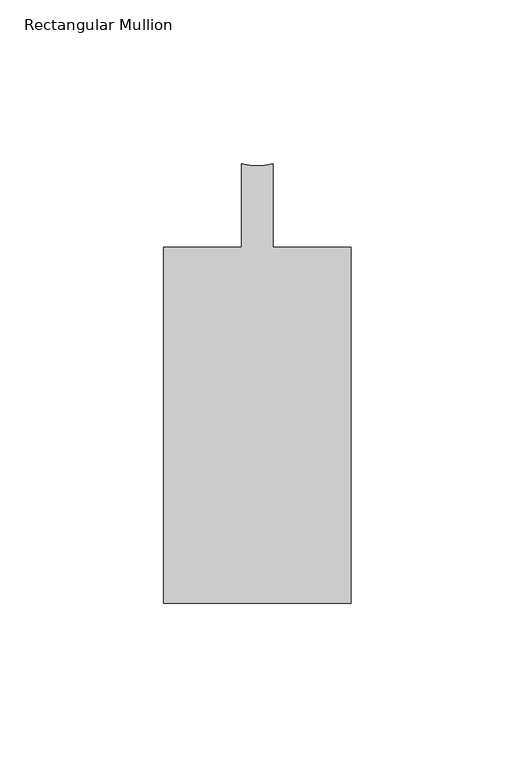
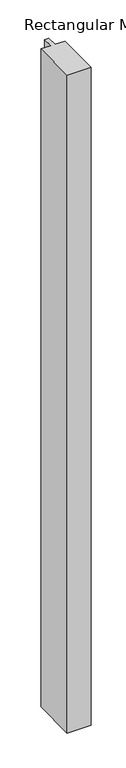
"""IFC4 building model written with IfcOpenShell, lengths in millimetres: member geometry, Rectangular Mullion."""

import ifcopenshell
import ifcopenshell.guid

model = None  # the IFC model being written
_history = None  # IfcOwnerHistory: only IFC2X3 demands one
_inside = {}  # id of a spatial element -> (the spatial element, [elements in it])
_under = {}  # id of a project, library or spatial element -> (it, [spatial elements below it])
_declared = {}  # id of a project -> (the project, [libraries it declares])
_typed = {}  # id of a type object -> (the type object, [elements of that type])
_made_of = {}  # id of a material, layer set ... -> (it, [elements and type objects made of it])


def new_model(schema):
    """Start an empty IFC model of exactly this schema.

    Asked for "IFC4X3", IfcOpenShell would pick the latest addendum, in which some entities
    have other attributes; the version numbers below select the first issue.
    IFC2X3 requires an IfcOwnerHistory on every rooted entity: one is made here for all.
    """
    global model, _history
    if schema == "IFC4X3":
        model = ifcopenshell.file(schema_version=(4, 3, 0, 0))
    else:
        model = ifcopenshell.file(schema=schema)
    _inside.clear()
    _under.clear()
    _declared.clear()
    _typed.clear()
    _made_of.clear()
    _history = None
    if model.schema == "IFC2X3":
        org = make("IfcOrganization", Name="unknown")
        user = make(
            "IfcPersonAndOrganization",
            ThePerson=make("IfcPerson", FamilyName="unknown"),
            TheOrganization=org,
        )
        app = make(
            "IfcApplication",
            ApplicationDeveloper=org,
            Version="unknown",
            ApplicationFullName="unknown",
            ApplicationIdentifier="unknown",
        )
        _history = make(
            "IfcOwnerHistory",
            OwningUser=user,
            OwningApplication=app,
            ChangeAction="ADDED",
            CreationDate=0,
        )
    return model


def make(cls, **values):
    """One entity of the class cls with the attributes given. An attribute that is None is left unset."""
    return model.create_entity(
        cls, **{name: value for name, value in values.items() if value is not None}
    )


def rooted(cls, **values):
    """An entity with a GlobalId (a new one), such as an element, a storey or a relation."""
    return make(cls, GlobalId=ifcopenshell.guid.new(), OwnerHistory=_history, **values)


def si_unit(unit_type, name, prefix=None):
    """IfcSIUnit, for example si_unit("LENGTHUNIT", "METRE", prefix="MILLI")."""
    return make("IfcSIUnit", UnitType=unit_type, Prefix=prefix, Name=name)


def assignment(units):
    """IfcUnitAssignment: the units of a project."""
    return None if units is None else make("IfcUnitAssignment", Units=units)


def point(xyz):
    """IfcCartesianPoint."""
    return None if xyz is None else make("IfcCartesianPoint", Coordinates=xyz)


def direction(xyz):
    """IfcDirection."""
    return None if xyz is None else make("IfcDirection", DirectionRatios=xyz)


def frame(location, z_axis=None, x_axis=None):
    """IfcAxis2Placement3D, a coordinate frame: its origin and axes. An axis left out is left unset."""
    return make(
        "IfcAxis2Placement3D",
        Location=point(location),
        Axis=direction(z_axis),
        RefDirection=direction(x_axis),
    )


def frame_2d(location, x_axis=None):
    """IfcAxis2Placement2D, a coordinate frame in the plane: its origin and x axis."""
    return make(
        "IfcAxis2Placement2D", Location=point(location), RefDirection=direction(x_axis)
    )


def origin():
    """The frame at (0, 0, 0) with its axes left unset."""
    return frame((0.0, 0.0, 0.0))


def place(relative_to, where):
    """IfcLocalPlacement: puts the frame where relative to a parent placement (None: the world)."""
    return make(
        "IfcLocalPlacement", PlacementRelTo=relative_to, RelativePlacement=where
    )


def context(
    kind, dimensions, precision=None, world=None, true_north=None, identifier=None
):
    """IfcGeometricRepresentationContext, for example the 3D "Model" context."""
    return make(
        "IfcGeometricRepresentationContext",
        ContextIdentifier=identifier,
        ContextType=kind,
        CoordinateSpaceDimension=dimensions,
        Precision=precision,
        WorldCoordinateSystem=world,
        TrueNorth=true_north,
    )


def project(units=None, contexts=None):
    """IfcProject with its units and contexts."""
    return rooted(
        "IfcProject",
        Name="project",
        RepresentationContexts=contexts,
        UnitsInContext=assignment(units),
    )


def spatial(cls, under=None, at=None, **own):
    """A site, building, storey or space (cls), placed at a placement, below another one or the project."""
    s = rooted(cls, ObjectPlacement=at, **own)
    if under is not None:
        _under.setdefault(under.id(), (under, []))[1].append(s)
    return s


def polyline(points):
    """IfcPolyline through the points."""
    return make("IfcPolyline", Points=[point(p) for p in points])


def circle_curve(where, radius):
    """IfcCircle in the frame where."""
    return make("IfcCircle", Position=where, Radius=radius)


def trimmed(basis, trim1, trim2, sense, master):
    """IfcTrimmedCurve: the piece of a basis curve between two trims."""
    return make(
        "IfcTrimmedCurve",
        BasisCurve=basis,
        Trim1=trim1,
        Trim2=trim2,
        SenseAgreement=sense,
        MasterRepresentation=master,
    )


def segment(curve, same_sense, transition):
    """IfcCompositeCurveSegment."""
    return make(
        "IfcCompositeCurveSegment",
        Transition=transition,
        SameSense=same_sense,
        ParentCurve=curve,
    )


def composite_curve(segments, self_intersect=None):
    """IfcCompositeCurve: segments joined end to end."""
    return make("IfcCompositeCurve", Segments=segments, SelfIntersect=self_intersect)


def outline(outer, holes=None, kind="AREA"):
    """IfcArbitraryClosedProfileDef: a profile drawn as a closed curve; with holes, ...WithVoids."""
    if holes is None:
        return make("IfcArbitraryClosedProfileDef", ProfileType=kind, OuterCurve=outer)
    return make(
        "IfcArbitraryProfileDefWithVoids",
        ProfileType=kind,
        OuterCurve=outer,
        InnerCurves=holes,
    )


def extrude(swept, where, along, depth):
    """IfcExtrudedAreaSolid: the profile swept, set in the frame where, extruded along a direction by depth."""
    return make(
        "IfcExtrudedAreaSolid",
        SweptArea=swept,
        Position=where,
        ExtrudedDirection=direction(along),
        Depth=depth,
    )


def shape(context_of_items, identifier, shape_type, items):
    """IfcShapeRepresentation: the items that make up one representation, for example the "Body"."""
    return make(
        "IfcShapeRepresentation",
        ContextOfItems=context_of_items,
        RepresentationIdentifier=identifier,
        RepresentationType=shape_type,
        Items=items,
    )


def source(mapping_origin, context_of_items, identifier, shape_type, items):
    """IfcRepresentationMap: a shape defined once, which mapped items show again and again."""
    return make(
        "IfcRepresentationMap",
        MappingOrigin=mapping_origin,
        MappedRepresentation=shape(context_of_items, identifier, shape_type, items),
    )


def transform(
    local_origin,
    x_axis=None,
    y_axis=None,
    z_axis=None,
    scale=None,
    scale2=None,
    scale3=None,
    uniform=True,
):
    """IfcCartesianTransformationOperator3D, or its non-uniform kind. x_axis, y_axis, z_axis: its Axis1, 2, 3."""
    if uniform:
        return make(
            "IfcCartesianTransformationOperator3D",
            Axis1=direction(x_axis),
            Axis2=direction(y_axis),
            LocalOrigin=point(local_origin),
            Scale=scale,
            Axis3=direction(z_axis),
        )
    return make(
        "IfcCartesianTransformationOperator3DnonUniform",
        Axis1=direction(x_axis),
        Axis2=direction(y_axis),
        LocalOrigin=point(local_origin),
        Scale=scale,
        Axis3=direction(z_axis),
        Scale2=scale2,
        Scale3=scale3,
    )


def mapped(mapping_source, mapping_target):
    """IfcMappedItem: shows the shape of a source again, moved by a transform."""
    return make(
        "IfcMappedItem", MappingSource=mapping_source, MappingTarget=mapping_target
    )


def made_of(thing, what):
    """Note that an element or type object is made of a material, layer set ...; save() writes the relation."""
    if what is not None:
        _made_of.setdefault(what.id(), (what, []))[1].append(thing)
    return thing


def element(
    cls,
    number,
    at=None,
    inside=None,
    cuts=None,
    type_object=None,
    material=None,
    context=None,
    identifier="Body",
    shape_type=None,
    held_by="IfcProductDefinitionShape",
    body=None,
    shapes=None,
    **own,
):
    """One element of the class cls, such as IfcWall. Its Tag is "e" and its number.

    at: its placement. inside: the storey or other place that contains it. cuts: it is an
    opening in that element (IfcRelVoidsElement). A single representation is given by context,
    identifier, shape_type and body (its items); several are given by shapes. held_by: the class
    of the entity that holds the representations. save() writes the other relations.
    """
    e = rooted(cls, Tag="e%d" % number, ObjectPlacement=at, **own)
    if body is not None:
        shapes = [shape(context, identifier, shape_type, body)]
    if shapes is not None:
        e.Representation = make(held_by, Representations=shapes)
    if inside is not None:
        _inside.setdefault(inside.id(), (inside, []))[1].append(e)
    if cuts is not None:
        rooted(
            "IfcRelVoidsElement", RelatingBuildingElement=cuts, RelatedOpeningElement=e
        )
    if type_object is not None:
        _typed.setdefault(type_object.id(), (type_object, []))[1].append(e)
    return made_of(e, material)


def aggregate(whole, parts):
    """IfcRelAggregates: a whole, such as a stair, and the parts it consists of."""
    return rooted("IfcRelAggregates", RelatingObject=whole, RelatedObjects=parts)


def save(model, path):
    """Write the relations noted so far, then the file.

    IfcRelAggregates (storeys below a building ...), IfcRelContainedInSpatialStructure (elements
    in a storey), IfcRelDefinesByType, IfcRelAssociatesMaterial and IfcRelDeclares: one each for
    every whole, place, type object, material and project.
    """
    for whole, parts in _under.values():
        aggregate(whole, parts)
    for where, things in _inside.values():
        rooted(
            "IfcRelContainedInSpatialStructure",
            RelatedElements=things,
            RelatingStructure=where,
        )
    for kind, things in _typed.values():
        rooted("IfcRelDefinesByType", RelatedObjects=things, RelatingType=kind)
    for what, things in _made_of.values():
        rooted("IfcRelAssociatesMaterial", RelatedObjects=things, RelatingMaterial=what)
    for by, libraries in _declared.values():
        rooted("IfcRelDeclares", RelatingContext=by, RelatedDefinitions=libraries)
    model.write(path)


def rectangular_mullion_baeb30d9(model_context):
    return source(origin(), model_context, "Body", "SweptSolid", [
        extrude(outline(composite_curve([segment(polyline([(-28.575, -12.7), (-4.7624873, -12.7), (-4.7624873, 12.7)]), True, "CONTINUOUS"), segment(trimmed(circle_curve(frame_2d((1.27e-05, 29.4539151)), 17.4176657), [point((-4.7624873, 12.7))], [point((4.7625127, 12.7))], True, "CARTESIAN"), True, "CONTINUOUS"), segment(polyline([(4.7625127, 12.7), (4.7625127, -12.7), (28.575, -12.7), (28.575, -121.2596), (-28.575, -121.2596), (-28.575, -12.7)]), True, "CONTINUOUS")], self_intersect=False)), frame((0.0, 0.0, -1658.0266552), z_axis=(0.0, 0.0, 1.0), x_axis=(1.0, 0.0, 0.0)), (0.0, 0.0, 1.0), 1658.0266552),
    ])


if __name__ == "__main__":
    model = new_model("IFC4")
    model_context = context("Model", 3, world=origin())
    ifc_project = project(units=[si_unit("LENGTHUNIT", "METRE", prefix="MILLI")], contexts=[model_context])
    site = spatial("IfcSite", under=ifc_project)
    building = spatial("IfcBuilding", under=site)
    placement = place(None, origin())
    rectangular_mullion_shape = rectangular_mullion_baeb30d9(model_context)
    element("IfcMember", 1, ObjectType="Rectangular Mullion", at=placement, inside=building, context=model_context, shape_type="MappedRepresentation", body=[
        mapped(rectangular_mullion_shape, transform((0.0, 0.0, 0.0), x_axis=(1.0, 0.0, 0.0), y_axis=(0.0, 1.0, 0.0), z_axis=(0.0, 0.0, 1.0))),
    ])
    save(model, "model.ifc")
